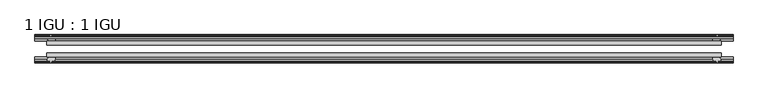
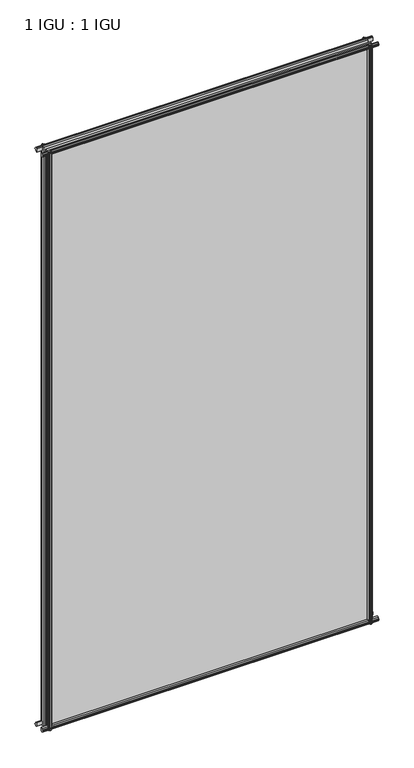
"""IFC4 building model written with IfcOpenShell, lengths in millimetres: plate geometry, 1 IGU : 1 IGU."""

from ifc_helpers import new_model, si_unit, frame, origin, place, context, project, spatial, polyline, outline, extrude, source, transform, mapped, element, save


def plate_1_igu_1_igu_781b0882(model_context):
    return source(origin(), model_context, "Body", "SweptSolid", [
        extrude(outline(polyline([(-536.1167269, -38.6468937), (536.1167269, -38.6468937), (536.1167269, -44.9460938), (-536.1167269, -44.9460938), (-536.1167269, -38.6468937)])), frame((0.0, 0.0, -12.7), z_axis=(0.0, 0.0, 1.0), x_axis=(1.0, 0.0, 0.0)), (0.0, 0.0, 1.0), 2019.2872996),
        extrude(outline(polyline([(-536.1167269, -19.5460937), (536.1167269, -19.5460937), (536.1167269, -25.8960938), (-536.1167269, -25.8960938), (-536.1167269, -19.5460937)])), frame((0.0, 0.0, -12.7), z_axis=(0.0, 0.0, 1.0), x_axis=(1.0, 0.0, 0.0)), (0.0, 0.0, 1.0), 2019.2872996),
        extrude(outline(polyline([(-44.9460937, 1.7177181), (-44.9460937, -9.1036578), (-48.3496937, -11.938), (-51.2960937, -11.938), (-51.2960937, -7.493), (-53.6762907, -7.112), (-53.2163575, -8.5275291), (-54.0175717, -8.5275291), (-54.7250937, -6.35), (-54.0175717, -4.1724709), (-53.2163575, -4.1724709), (-53.6762907, -5.588), (-51.2960937, -5.207), (-51.2960937, 0.0), (-44.9460937, 1.7177181)])), frame((-555.1667269, 0.0, 0.0), z_axis=(1.0, 0.0, 0.0), x_axis=(0.0, 1.0, 0.0)), (0.0, 0.0, 1.0), 1110.3334538),
        extrude(outline(polyline([(-13.1960937, -12.4587), (-16.1424937, -12.4587), (-19.5460937, -9.6243578), (-19.5460937, 1.1970181), (-13.1960937, -0.5207), (-13.1960937, -5.7277), (-10.8158968, -6.1087), (-11.27583, -4.6931709), (-10.4746158, -4.6931709), (-9.7670937, -6.8707), (-10.4746158, -9.0482291), (-11.27583, -9.0482291), (-10.8158968, -7.6327), (-13.1960937, -8.0137), (-13.1960937, -12.4587)])), frame((-555.1667269, 0.0, 0.0), z_axis=(1.0, 0.0, 0.0), x_axis=(0.0, 1.0, 0.0)), (0.0, 0.0, 1.0), 1110.3334538),
        extrude(outline(polyline([(-51.2960937, 2005.8252996), (-48.3496937, 2005.8252996), (-44.9460937, 2002.9909574), (-44.9460937, 1992.1695815), (-51.2960937, 1993.8872996), (-51.2960937, 1999.0942996), (-53.6762907, 1999.4752996), (-53.2163575, 1998.0597705), (-54.0175717, 1998.0597705), (-54.7250937, 2000.2372996), (-54.0175717, 2002.4148286), (-53.2163575, 2002.4148286), (-53.6762907, 2000.9992996), (-51.2960937, 2001.3802996), (-51.2960937, 2005.8252996)])), frame((-555.1667269, 0.0, 0.0), z_axis=(1.0, 0.0, 0.0), x_axis=(0.0, 1.0, 0.0)), (0.0, 0.0, 1.0), 1110.3334538),
        extrude(outline(polyline([(-19.5460937, 1992.6902815), (-19.5460937, 2003.5116574), (-16.1424937, 2006.3459996), (-13.1960937, 2006.3459996), (-13.1960937, 2001.9009996), (-10.8158968, 2001.5199996), (-11.27583, 2002.9355286), (-10.4746158, 2002.9355286), (-9.7670937, 2000.7579996), (-10.4746158, 1998.5804705), (-11.27583, 1998.5804705), (-10.8158968, 1999.9959996), (-13.1960937, 1999.6149996), (-13.1960937, 1994.4079996), (-19.5460937, 1992.6902815)])), frame((-555.1667269, 0.0, 0.0), z_axis=(1.0, 0.0, 0.0), x_axis=(0.0, 1.0, 0.0)), (0.0, 0.0, 1.0), 1110.3334538),
        extrude(outline(polyline([(522.2197088, -19.5460938), (523.9374269, -13.1960938), (529.1444269, -13.1960938), (529.5254269, -10.8158968), (528.1098978, -11.27583), (528.1098978, -10.4746158), (530.2874269, -9.7670938), (532.4649559, -10.4746158), (532.4649559, -11.27583), (531.0494269, -10.8158968), (531.4304269, -13.1960938), (535.8754269, -13.1960938), (535.8754269, -16.1424938), (533.0410847, -19.5460938), (522.2197088, -19.5460938)])), frame((0.0, 0.0, -12.7), z_axis=(0.0, 0.0, 1.0), x_axis=(1.0, 0.0, 0.0)), (0.0, 0.0, 1.0), 2019.2872997),
        extrude(outline(polyline([(521.6990088, -44.9460938), (532.5203847, -44.9460938), (535.3547269, -48.3496938), (535.3547269, -51.2960938), (530.9097269, -51.2960938), (530.5287269, -53.6762907), (531.9442559, -53.2163575), (531.9442559, -54.0175717), (529.7667269, -54.7250938), (527.5891978, -54.0175717), (527.5891978, -53.2163575), (529.0047269, -53.6762907), (528.6237269, -51.2960938), (523.4167269, -51.2960938), (521.6990088, -44.9460938)])), frame((0.0, 0.0, -12.7), z_axis=(0.0, 0.0, 1.0), x_axis=(1.0, 0.0, 0.0)), (0.0, 0.0, 1.0), 2019.2872997),
        extrude(outline(polyline([(-530.2874269, -9.7670937), (-528.1098978, -10.4746158), (-528.1098978, -11.27583), (-529.5254269, -10.8158968), (-529.1444269, -13.1960937), (-523.9374269, -13.1960937), (-522.2197088, -19.5460937), (-533.0410847, -19.5460937), (-535.8754269, -16.1424937), (-535.8754269, -13.1960937), (-531.4304269, -13.1960937), (-531.0494269, -10.8158968), (-532.4649559, -11.27583), (-532.4649559, -10.4746158), (-530.2874269, -9.7670937)])), frame((0.0, 0.0, -12.7), z_axis=(0.0, 0.0, 1.0), x_axis=(1.0, 0.0, 0.0)), (0.0, 0.0, 1.0), 2019.2872997),
        extrude(outline(polyline([(-535.3547269, -48.3496937), (-532.5203847, -44.9460937), (-521.6990088, -44.9460937), (-523.4167269, -51.2960937), (-528.6237269, -51.2960937), (-529.0047269, -53.6762907), (-527.5891978, -53.2163575), (-527.5891978, -54.0175717), (-529.7667269, -54.7250937), (-531.9442559, -54.0175717), (-531.9442559, -53.2163575), (-530.5287269, -53.6762907), (-530.9097269, -51.2960937), (-535.3547269, -51.2960937), (-535.3547269, -48.3496937)])), frame((0.0, 0.0, -12.7), z_axis=(0.0, 0.0, 1.0), x_axis=(1.0, 0.0, 0.0)), (0.0, 0.0, 1.0), 2019.2872997),
    ])


if __name__ == "__main__":
    model = new_model("IFC4")
    model_context = context("Model", 3, world=origin())
    ifc_project = project(units=[si_unit("LENGTHUNIT", "METRE", prefix="MILLI")], contexts=[model_context])
    site = spatial("IfcSite", under=ifc_project)
    building = spatial("IfcBuilding", under=site)
    placement = place(None, origin())
    plate_1_igu_1_igu_shape = plate_1_igu_1_igu_781b0882(model_context)
    element("IfcPlate", 1, ObjectType="1 IGU : 1 IGU", at=placement, inside=building, context=model_context, shape_type="MappedRepresentation", body=[
        mapped(plate_1_igu_1_igu_shape, transform((0.0, 0.0, 0.0), x_axis=(1.0, 0.0, 0.0), y_axis=(0.0, 1.0, 0.0), z_axis=(0.0, 0.0, 1.0))),
    ])
    save(model, "model.ifc")
